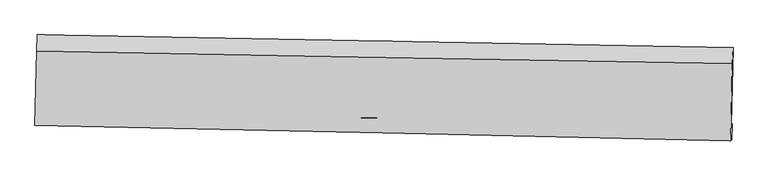
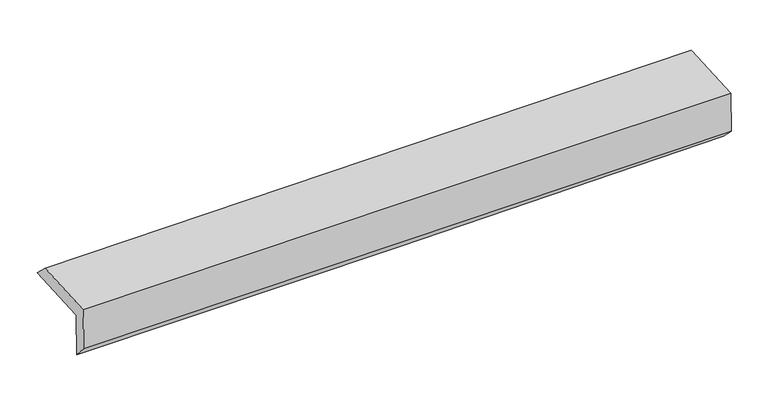
"""IFC4 building model written with IfcOpenShell, lengths in millimetres: proxy geometry."""

from ifc_helpers import new_model, si_unit, frame, origin, place, context, project, spatial, source, transform, mapped, element, save
from ifc_brep_helpers import plane_surface, spline_curve, spline_surface, advanced_brep


def generic_models_62f2d411(model_context):
    return source(origin(), model_context, "Body", "AdvancedBrep", [
        advanced_brep(
        [(-3026.243564, -1752.4208782, 1961.8892097), (-3010.9514155, -1087.029546, 1976.3188988), (3016.4434525, -1198.6485591, 2117.29195), (3001.0530681, -1868.3143238, 2102.7695656), (-3017.1484672, -1745.7600563, 1563.9915754), (3010.3479764, -1859.7493815, 1697.9668402), (-3022.9396075, -1865.9096859, 1696.2552987), (3004.0169713, -1998.8669633, 1834.4459605), (-3032.0448162, -1874.2998264, 2092.7964103), (2995.0892693, -2007.0935375, 2223.2564794), (-3017.3566121, -1230.3677896, 2111.6911981), (3010.4742002, -1337.6650642, 2237.773718)],
        [
            (0, 1),
            (1, 2, spline_curve(3, [(-3010.9514155, -1087.029546, 1976.3188988), (-2006.091055279, -1105.123101994, 1987.165386423), (-1001.377184875, -1123.471479273, 2004.336412783), (1007.754437199, -1160.67781857, 2051.327469566), (2012.172189071, -1179.53577904, 2081.147460281), (3016.4434525, -1198.6485591, 2117.29195)], [4, 2, 4], [0.0, 9.892088985271569, 19.784147045918402])),
            (2, 3),
            (3, 0, spline_curve(3, [(3001.0530681, -1868.3143238, 2102.7695656), (1996.829908101, -1847.108473612, 2066.670466249), (992.444394124, -1826.847775137, 2036.880895049), (-1016.654482549, -1788.216620479, 1989.920737147), (-2021.367845651, -1769.846170496, 1972.750189233), (-3026.243564, -1752.4208782, 1961.8892097)], [4, 2, 4], [0.0, 9.892058060646834, 19.784147045918402])),
            (4, 0),
            (3, 5),
            (5, 4, spline_curve(3, [(3010.3479764, -1859.7493815, 1697.9668402), (2006.262685351, -1832.490439823, 1662.054388911), (1001.929455183, -1809.361866974, 1632.933564615), (-1007.236024312, -1771.365399634, 1588.27510058), (-2012.068275226, -1756.497530748, 1572.737503146), (-3017.1484672, -1745.7600563, 1563.9915754)], [4, 2, 4], [0.0, 9.892053765755414, 19.784138456122136])),
            (6, 4),
            (5, 7),
            (7, 6, spline_curve(3, [(3004.0169713, -1998.8669633, 1834.4459605), (1999.582210783, -1975.959866748, 1809.543276801), (995.11923421, -1953.426562157, 1785.57606316), (-1013.866291858, -1909.107467368, 1739.512503438), (-2018.388841443, -1887.321679491, 1717.416163269), (-3022.9396075, -1865.9096859, 1696.2552987)], [4, 2, 4], [0.0, 9.891858431629721, 19.783747787260097])),
            (8, 6),
            (7, 9),
            (9, 8, spline_curve(3, [(2995.0892693, -2007.0935375, 2223.2564794), (1990.566926523, -1984.267145364, 2202.168101834), (986.045366376, -1961.787823247, 2180.752258382), (-1022.999329116, -1917.523250763, 2137.265570644), (-2027.52246382, -1895.73800227, 2115.194724498), (-3032.0448162, -1874.2998264, 2092.7964103)], [4, 2, 4], [0.0, 9.891728244574628, 19.783487412742918])),
            (10, 8),
            (9, 11),
            (11, 10, spline_curve(3, [(3010.4742002, -1337.6650642, 2237.773718), (2005.755461322, -1320.924631802, 2219.069603301), (1001.077642504, -1303.612990964, 2199.21068751), (-1008.199295207, -1267.84723653, 2157.183188197), (-2012.798413853, -1249.393119164, 2135.014597189), (-3017.3566121, -1230.3677896, 2111.6911981)], [4, 2, 4], [0.0, 9.891788791496754, 19.783608506776453])),
            (1, 10),
            (11, 2),
        ],
        [
            spline_surface(3, 3, [[(-3026.243564, -1752.4208782, 1961.8892097), (-2021.367845676, -1769.846170654, 1972.750189369), (-1016.654482403, -1788.216620597, 1989.920737068), (992.444393978, -1826.847775019, 2036.880895128), (1996.829908013, -1847.108473651, 2066.670466109), (3001.0530681, -1868.3143238, 2102.7695656)], [(-3021.146181144, -1530.623767459, 1966.699106055), (-2016.275582205, -1548.271814414, 1977.555255066), (-1011.56204984, -1566.634906827, 1994.72596232), (997.547741664, -1604.791122868, 2041.696419903), (2001.944001697, -1624.584242088, 2071.49613082), (3006.183196227, -1645.092402232, 2107.61036043)], [(-3016.048798356, -1308.826656741, 1971.509002445), (-2011.183318804, -1326.697458199, 1982.360320798), (-1006.469617276, -1345.053193052, 1999.531187608), (1002.651089351, -1382.734470711, 2046.511944713), (2007.058095401, -1402.06001053, 2076.321795442), (3011.313324373, -1421.870480668, 2112.45115517)], [(-3010.9514155, -1087.029546, 1976.3188988), (-2006.091055333, -1105.12310196, 1987.165386494), (-1001.377184713, -1123.471479282, 2004.33641286), (1007.754437037, -1160.677818561, 2051.327469488), (2012.172189085, -1179.535778967, 2081.147460153), (3016.4434525, -1198.6485591, 2117.29195)]], [4, 4], [4, 2, 4], [0.0, 2.184349349064175], [0.0, 9.892088985271569, 19.784147045918402]),
            spline_surface(3, 3, [[(-3017.1484672, -1745.7600563, 1563.9915754), (-2012.068275389, -1756.497530606, 1572.737503223), (-1007.236024385, -1771.365399521, 1588.27510056), (1001.929455256, -1809.361867087, 1632.933564635), (2006.26268547, -1832.490439889, 1662.054388876), (3010.3479764, -1859.7493815, 1697.9668402)], [(-3020.180166164, -1747.980330283, 1696.624120181), (-2015.168132181, -1760.947077305, 1706.075065286), (-1010.375510372, -1776.982473231, 1722.156979396), (998.767768182, -1815.190503083, 1767.5826748), (2003.118426326, -1837.363117796, 1796.926414601), (3007.249673642, -1862.604362253, 1832.901081981)], [(-3023.211865036, -1750.200604217, 1829.256664919), (-2018.267988883, -1765.396623955, 1839.412627306), (-1013.514996415, -1782.599546886, 1856.038858231), (995.606081052, -1821.019139023, 1902.231784963), (1999.974167158, -1842.235795744, 1931.798440384), (3004.151370858, -1865.459343047, 1967.835323819)], [(-3026.243564, -1752.4208782, 1961.8892097), (-2021.367845676, -1769.846170654, 1972.750189369), (-1016.654482403, -1788.216620597, 1989.920737068), (992.444393978, -1826.847775019, 2036.880895128), (1996.829908013, -1847.108473651, 2066.670466109), (3001.0530681, -1868.3143238, 2102.7695656)]], [4, 4], [4, 2, 4], [0.0, 1.3230740942109183], [0.0, 9.892084690366723, 19.784138456122136]),
            spline_surface(3, 3, [[(-3022.9396075, -1865.9096859, 1696.2552987), (-2018.388841465, -1887.321679542, 1717.416163229), (-1013.866291883, -1909.107467366, 1739.512503412), (995.119234236, -1953.426562159, 1785.576063186), (1999.582210863, -1975.959866823, 1809.543276952), (3004.0169713, -1998.8669633, 1834.4459605)], [(-3021.009227367, -1825.859809355, 1652.167390928), (-2016.281986074, -1843.713629885, 1669.189943222), (-1011.656202713, -1863.193444727, 1689.100035796), (997.389307914, -1905.404997111, 1734.695230337), (2001.809035726, -1928.13672452, 1760.380314273), (3006.127306328, -1952.494436041, 1788.952920414)], [(-3019.078847333, -1785.809932845, 1608.079483172), (-2014.17513078, -1800.105580263, 1620.96372323), (-1009.446113556, -1817.279422159, 1638.687568175), (999.659381578, -1857.383432135, 1683.814397484), (2004.035860607, -1880.313582192, 1711.217351554), (3008.237641372, -1906.121908759, 1743.459880286)], [(-3017.1484672, -1745.7600563, 1563.9915754), (-2012.068275389, -1756.497530606, 1572.737503223), (-1007.236024385, -1771.365399521, 1588.27510056), (1001.929455256, -1809.361867087, 1632.933564635), (2006.26268547, -1832.490439889, 1662.054388876), (3010.3479764, -1859.7493815, 1697.9668402)]], [4, 4], [4, 2, 4], [0.0, 0.6802081554263237], [0.0, 9.891889355630376, 19.783747787260097]),
            spline_surface(3, 3, [[(-3032.0448162, -1874.2998264, 2092.7964103), (-2027.522463962, -1895.73800239, 2115.194724625), (-1022.999328951, -1917.523250741, 2137.26557069), (986.045366211, -1961.787823269, 2180.752258336), (1990.566926385, -1984.267145302, 2202.168101983), (2995.0892693, -2007.0935375, 2223.2564794)], [(-3029.009746664, -1871.503112913, 1960.616039766), (-2024.47792316, -1892.932561454, 1982.601870825), (-1019.954983278, -1914.717989608, 2004.681214936), (989.06998887, -1959.000736225, 2049.026859959), (1993.572021219, -1981.498052485, 2071.293160303), (2998.065169974, -2004.35134611, 2093.652973097)], [(-3025.974677036, -1868.706399387, 1828.435669234), (-2021.433382267, -1890.127120478, 1850.009017029), (-1016.910637557, -1911.912728498, 1872.096859165), (992.094611577, -1956.213649203, 1917.301461563), (1996.57711603, -1978.72895964, 1940.418218632), (3001.041070626, -2001.60915469, 1964.049466803)], [(-3022.9396075, -1865.9096859, 1696.2552987), (-2018.388841465, -1887.321679542, 1717.416163229), (-1013.866291883, -1909.107467366, 1739.512503412), (995.119234236, -1953.426562159, 1785.576063186), (1999.582210863, -1975.959866823, 1809.543276952), (3004.0169713, -1998.8669633, 1834.4459605)]], [4, 4], [4, 2, 4], [0.0, 1.3013708872556153], [0.0, 9.89175916816829, 19.783487412742918]),
            spline_surface(3, 3, [[(-3017.3566121, -1230.3677896, 2111.6911981), (-2012.798413922, -1249.393119064, 2135.014597308), (-1008.199295194, -1267.847236431, 2157.183188153), (1001.077642491, -1303.612991064, 2199.210687554), (2005.755461205, -1320.924631889, 2219.069603367), (3010.4742002, -1337.6650642, 2237.773718)], [(-3022.25268013, -1445.011801872, 2105.392935499), (-2017.706430599, -1464.841413512, 2128.40797308), (-1013.132639767, -1484.405907898, 2150.543982321), (996.066883743, -1523.004601829, 2193.057877804), (2000.692616264, -1542.03880302, 2213.435769578), (3005.345889899, -1560.807888627, 2232.934638473)], [(-3027.14874817, -1659.655814128, 2099.094672901), (-2022.614447285, -1680.289707943, 2121.801348854), (-1018.065984378, -1700.964579274, 2143.904776521), (991.056124959, -1742.396212504, 2186.905068086), (1995.629771326, -1763.152974171, 2207.801935772), (3000.217579601, -1783.950713073, 2228.095558927)], [(-3032.0448162, -1874.2998264, 2092.7964103), (-2027.522463962, -1895.73800239, 2115.194724625), (-1022.999328951, -1917.523250741, 2137.26557069), (986.045366211, -1961.787823269, 2180.752258336), (1990.566926385, -1984.267145302, 2202.168101983), (2995.0892693, -2007.0935375, 2223.2564794)]], [4, 4], [4, 2, 4], [0.0, 2.1469058064821915], [0.0, 9.891819715279698, 19.783608506776453]),
            spline_surface(3, 3, [[(-3010.9514155, -1087.029546, 1976.3188988), (-2006.091055333, -1105.12310196, 1987.165386494), (-1001.377184713, -1123.471479282, 2004.33641286), (1007.754437037, -1160.677818561, 2051.327469488), (2012.172189085, -1179.535778967, 2081.147460153), (3016.4434525, -1198.6485591, 2117.29195)], [(-3013.086481032, -1134.808960519, 2021.44299857), (-2008.326841528, -1153.213107646, 2036.448456769), (-1003.651221559, -1171.596731645, 2055.285337972), (1005.528838836, -1208.322876042, 2100.621875524), (2010.03327979, -1226.665396611, 2127.121507864), (3014.453701731, -1244.987394137, 2157.452539307)], [(-3015.221546568, -1182.588375081, 2066.56709833), (-2010.562627727, -1201.303113378, 2085.731527033), (-1005.925258348, -1219.721984068, 2106.234263041), (1003.303240692, -1255.967933583, 2149.916281518), (2007.8943705, -1273.795014244, 2173.095555656), (3012.463950969, -1291.326229163, 2197.613128693)], [(-3017.3566121, -1230.3677896, 2111.6911981), (-2012.798413922, -1249.393119064, 2135.014597308), (-1008.199295194, -1267.847236431, 2157.183188153), (1001.077642491, -1303.612991064, 2199.210687554), (2005.755461205, -1320.924631889, 2219.069603367), (3010.4742002, -1337.6650642, 2237.773718)]], [4, 4], [4, 2, 4], [0.0, 0.6826361417129982], [0.0, 9.891926240304539, 19.783821556493116]),
            plane_surface(frame((3006.2374897, -1711.7229715, 2035.5840856), z_axis=(0.9994726736879345, -0.023456988290613212, 0.022453156825390425), x_axis=(0.022950390803594428, 0.021148005580679235, -0.9995129020787685))),
            plane_surface(frame((-3021.1140804, -1592.6312971, 1900.4904318), z_axis=(-0.9994726736879401, 0.023456988290566905, -0.022453156825193357), x_axis=(-0.02297072295448919, -0.9995011413501715, -0.021675200729231396))),
        ],
        [
            (0, [[1, 2, 3, 4]]),
            (1, [[5, -4, 6, 7]]),
            (2, [[8, -7, 9, 10]]),
            (3, [[11, -10, 12, 13]]),
            (4, [[14, -13, 15, 16]]),
            (5, [[17, -16, 18, -2]]),
            (6, [[-12, -9, -6, -3, -18, -15]]),
            (7, [[-1, -5, -8, -11, -14, -17]]),
        ],
    ),
    ])


if __name__ == "__main__":
    model = new_model("IFC4")
    model_context = context("Model", 3, world=origin())
    ifc_project = project(units=[si_unit("LENGTHUNIT", "METRE", prefix="MILLI")], contexts=[model_context])
    site = spatial("IfcSite", under=ifc_project)
    building = spatial("IfcBuilding", under=site)
    placement = place(None, origin())
    generic_models_shape = generic_models_62f2d411(model_context)
    element("IfcBuildingElementProxy", 1, Name="Generic Models", at=placement, inside=building, context=model_context, shape_type="MappedRepresentation", body=[
        mapped(generic_models_shape, transform((0.0, 0.0, 0.0), x_axis=(1.0, 0.0, 0.0), y_axis=(0.0, 1.0, 0.0), z_axis=(0.0, 0.0, 1.0))),
    ])
    save(model, "model.ifc")
